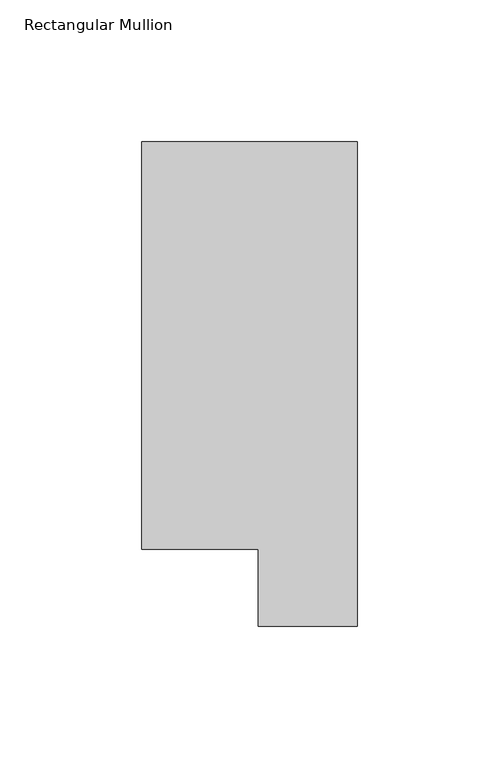
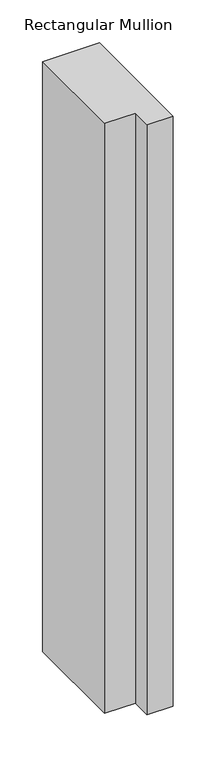
"""IFC4 building model written with IfcOpenShell, lengths in millimetres: member geometry, Rectangular Mullion."""

import ifcopenshell
import ifcopenshell.guid

model = None  # the IFC model being written
_history = None  # IfcOwnerHistory: only IFC2X3 demands one
_inside = {}  # id of a spatial element -> (the spatial element, [elements in it])
_under = {}  # id of a project, library or spatial element -> (it, [spatial elements below it])
_declared = {}  # id of a project -> (the project, [libraries it declares])
_typed = {}  # id of a type object -> (the type object, [elements of that type])
_made_of = {}  # id of a material, layer set ... -> (it, [elements and type objects made of it])


def new_model(schema):
    """Start an empty IFC model of exactly this schema.

    Asked for "IFC4X3", IfcOpenShell would pick the latest addendum, in which some entities
    have other attributes; the version numbers below select the first issue.
    IFC2X3 requires an IfcOwnerHistory on every rooted entity: one is made here for all.
    """
    global model, _history
    if schema == "IFC4X3":
        model = ifcopenshell.file(schema_version=(4, 3, 0, 0))
    else:
        model = ifcopenshell.file(schema=schema)
    _inside.clear()
    _under.clear()
    _declared.clear()
    _typed.clear()
    _made_of.clear()
    _history = None
    if model.schema == "IFC2X3":
        org = make("IfcOrganization", Name="unknown")
        user = make(
            "IfcPersonAndOrganization",
            ThePerson=make("IfcPerson", FamilyName="unknown"),
            TheOrganization=org,
        )
        app = make(
            "IfcApplication",
            ApplicationDeveloper=org,
            Version="unknown",
            ApplicationFullName="unknown",
            ApplicationIdentifier="unknown",
        )
        _history = make(
            "IfcOwnerHistory",
            OwningUser=user,
            OwningApplication=app,
            ChangeAction="ADDED",
            CreationDate=0,
        )
    return model


def make(cls, **values):
    """One entity of the class cls with the attributes given. An attribute that is None is left unset."""
    return model.create_entity(
        cls, **{name: value for name, value in values.items() if value is not None}
    )


def rooted(cls, **values):
    """An entity with a GlobalId (a new one), such as an element, a storey or a relation."""
    return make(cls, GlobalId=ifcopenshell.guid.new(), OwnerHistory=_history, **values)


def si_unit(unit_type, name, prefix=None):
    """IfcSIUnit, for example si_unit("LENGTHUNIT", "METRE", prefix="MILLI")."""
    return make("IfcSIUnit", UnitType=unit_type, Prefix=prefix, Name=name)


def assignment(units):
    """IfcUnitAssignment: the units of a project."""
    return None if units is None else make("IfcUnitAssignment", Units=units)


def point(xyz):
    """IfcCartesianPoint."""
    return None if xyz is None else make("IfcCartesianPoint", Coordinates=xyz)


def direction(xyz):
    """IfcDirection."""
    return None if xyz is None else make("IfcDirection", DirectionRatios=xyz)


def frame(location, z_axis=None, x_axis=None):
    """IfcAxis2Placement3D, a coordinate frame: its origin and axes. An axis left out is left unset."""
    return make(
        "IfcAxis2Placement3D",
        Location=point(location),
        Axis=direction(z_axis),
        RefDirection=direction(x_axis),
    )


def origin():
    """The frame at (0, 0, 0) with its axes left unset."""
    return frame((0.0, 0.0, 0.0))


def place(relative_to, where):
    """IfcLocalPlacement: puts the frame where relative to a parent placement (None: the world)."""
    return make(
        "IfcLocalPlacement", PlacementRelTo=relative_to, RelativePlacement=where
    )


def context(
    kind, dimensions, precision=None, world=None, true_north=None, identifier=None
):
    """IfcGeometricRepresentationContext, for example the 3D "Model" context."""
    return make(
        "IfcGeometricRepresentationContext",
        ContextIdentifier=identifier,
        ContextType=kind,
        CoordinateSpaceDimension=dimensions,
        Precision=precision,
        WorldCoordinateSystem=world,
        TrueNorth=true_north,
    )


def project(units=None, contexts=None):
    """IfcProject with its units and contexts."""
    return rooted(
        "IfcProject",
        Name="project",
        RepresentationContexts=contexts,
        UnitsInContext=assignment(units),
    )


def spatial(cls, under=None, at=None, **own):
    """A site, building, storey or space (cls), placed at a placement, below another one or the project."""
    s = rooted(cls, ObjectPlacement=at, **own)
    if under is not None:
        _under.setdefault(under.id(), (under, []))[1].append(s)
    return s


def polyline(points):
    """IfcPolyline through the points."""
    return make("IfcPolyline", Points=[point(p) for p in points])


def outline(outer, holes=None, kind="AREA"):
    """IfcArbitraryClosedProfileDef: a profile drawn as a closed curve; with holes, ...WithVoids."""
    if holes is None:
        return make("IfcArbitraryClosedProfileDef", ProfileType=kind, OuterCurve=outer)
    return make(
        "IfcArbitraryProfileDefWithVoids",
        ProfileType=kind,
        OuterCurve=outer,
        InnerCurves=holes,
    )


def extrude(swept, where, along, depth):
    """IfcExtrudedAreaSolid: the profile swept, set in the frame where, extruded along a direction by depth."""
    return make(
        "IfcExtrudedAreaSolid",
        SweptArea=swept,
        Position=where,
        ExtrudedDirection=direction(along),
        Depth=depth,
    )


def shape(context_of_items, identifier, shape_type, items):
    """IfcShapeRepresentation: the items that make up one representation, for example the "Body"."""
    return make(
        "IfcShapeRepresentation",
        ContextOfItems=context_of_items,
        RepresentationIdentifier=identifier,
        RepresentationType=shape_type,
        Items=items,
    )


def source(mapping_origin, context_of_items, identifier, shape_type, items):
    """IfcRepresentationMap: a shape defined once, which mapped items show again and again."""
    return make(
        "IfcRepresentationMap",
        MappingOrigin=mapping_origin,
        MappedRepresentation=shape(context_of_items, identifier, shape_type, items),
    )


def transform(
    local_origin,
    x_axis=None,
    y_axis=None,
    z_axis=None,
    scale=None,
    scale2=None,
    scale3=None,
    uniform=True,
):
    """IfcCartesianTransformationOperator3D, or its non-uniform kind. x_axis, y_axis, z_axis: its Axis1, 2, 3."""
    if uniform:
        return make(
            "IfcCartesianTransformationOperator3D",
            Axis1=direction(x_axis),
            Axis2=direction(y_axis),
            LocalOrigin=point(local_origin),
            Scale=scale,
            Axis3=direction(z_axis),
        )
    return make(
        "IfcCartesianTransformationOperator3DnonUniform",
        Axis1=direction(x_axis),
        Axis2=direction(y_axis),
        LocalOrigin=point(local_origin),
        Scale=scale,
        Axis3=direction(z_axis),
        Scale2=scale2,
        Scale3=scale3,
    )


def mapped(mapping_source, mapping_target):
    """IfcMappedItem: shows the shape of a source again, moved by a transform."""
    return make(
        "IfcMappedItem", MappingSource=mapping_source, MappingTarget=mapping_target
    )


def made_of(thing, what):
    """Note that an element or type object is made of a material, layer set ...; save() writes the relation."""
    if what is not None:
        _made_of.setdefault(what.id(), (what, []))[1].append(thing)
    return thing


def element(
    cls,
    number,
    at=None,
    inside=None,
    cuts=None,
    type_object=None,
    material=None,
    context=None,
    identifier="Body",
    shape_type=None,
    held_by="IfcProductDefinitionShape",
    body=None,
    shapes=None,
    **own,
):
    """One element of the class cls, such as IfcWall. Its Tag is "e" and its number.

    at: its placement. inside: the storey or other place that contains it. cuts: it is an
    opening in that element (IfcRelVoidsElement). A single representation is given by context,
    identifier, shape_type and body (its items); several are given by shapes. held_by: the class
    of the entity that holds the representations. save() writes the other relations.
    """
    e = rooted(cls, Tag="e%d" % number, ObjectPlacement=at, **own)
    if body is not None:
        shapes = [shape(context, identifier, shape_type, body)]
    if shapes is not None:
        e.Representation = make(held_by, Representations=shapes)
    if inside is not None:
        _inside.setdefault(inside.id(), (inside, []))[1].append(e)
    if cuts is not None:
        rooted(
            "IfcRelVoidsElement", RelatingBuildingElement=cuts, RelatedOpeningElement=e
        )
    if type_object is not None:
        _typed.setdefault(type_object.id(), (type_object, []))[1].append(e)
    return made_of(e, material)


def aggregate(whole, parts):
    """IfcRelAggregates: a whole, such as a stair, and the parts it consists of."""
    return rooted("IfcRelAggregates", RelatingObject=whole, RelatedObjects=parts)


def save(model, path):
    """Write the relations noted so far, then the file.

    IfcRelAggregates (storeys below a building ...), IfcRelContainedInSpatialStructure (elements
    in a storey), IfcRelDefinesByType, IfcRelAssociatesMaterial and IfcRelDeclares: one each for
    every whole, place, type object, material and project.
    """
    for whole, parts in _under.values():
        aggregate(whole, parts)
    for where, things in _inside.values():
        rooted(
            "IfcRelContainedInSpatialStructure",
            RelatedElements=things,
            RelatingStructure=where,
        )
    for kind, things in _typed.values():
        rooted("IfcRelDefinesByType", RelatedObjects=things, RelatingType=kind)
    for what, things in _made_of.values():
        rooted("IfcRelAssociatesMaterial", RelatedObjects=things, RelatingMaterial=what)
    for by, libraries in _declared.values():
        rooted("IfcRelDeclares", RelatingContext=by, RelatedDefinitions=libraries)
    model.write(path)


def rectangular_mullion_f0b395e5(model_context):
    return source(origin(), model_context, "Body", "SweptSolid", [
        extrude(outline(polyline([(0.0, 190.7881313), (0.0, 19.5667312), (-34.9123, 19.5667312), (-34.9123, 46.7447302), (-76.2, 46.7447302), (-76.2, 190.7881313), (0.0, 190.7881313)])), frame((0.0, 0.0, -838.1999999), z_axis=(0.0, 0.0, 1.0), x_axis=(1.0, 0.0, 0.0)), (0.0, 0.0, 1.0), 838.1999999),
    ])


if __name__ == "__main__":
    model = new_model("IFC4")
    model_context = context("Model", 3, world=origin())
    ifc_project = project(units=[si_unit("LENGTHUNIT", "METRE", prefix="MILLI")], contexts=[model_context])
    site = spatial("IfcSite", under=ifc_project)
    building = spatial("IfcBuilding", under=site)
    placement = place(None, origin())
    rectangular_mullion_shape = rectangular_mullion_f0b395e5(model_context)
    element("IfcMember", 1, ObjectType="Rectangular Mullion", at=placement, inside=building, context=model_context, shape_type="MappedRepresentation", body=[
        mapped(rectangular_mullion_shape, transform((0.0, 0.0, 0.0), x_axis=(1.0, 0.0, 0.0), y_axis=(0.0, 1.0, 0.0), z_axis=(0.0, 0.0, 1.0))),
    ])
    save(model, "model.ifc")
